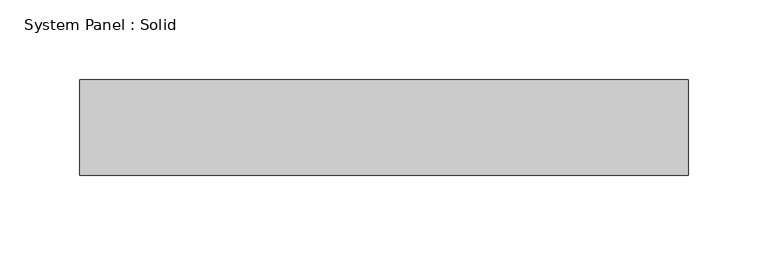
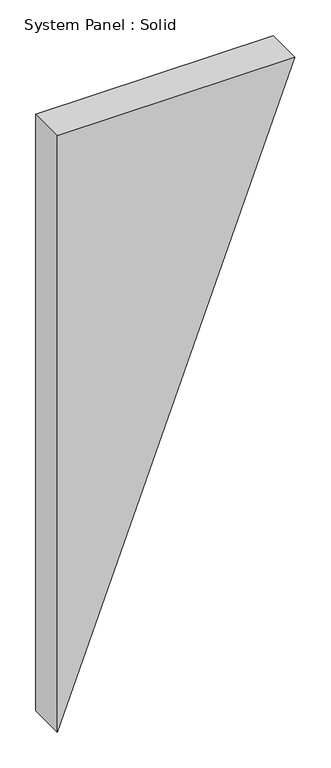
"""IFC4 building model written with IfcOpenShell, lengths in millimetres: plate geometry, System Panel : Solid."""

from ifc_helpers import new_model, si_unit, frame, origin, place, context, project, spatial, polyline, outline, extrude, source, transform, mapped, element, save


def system_panel_solid_8e6208b4(model_context):
    return source(origin(), model_context, "Body", "SweptSolid", [
        extrude(outline(polyline([(1015.1910892, -191.2193574), (0.0, -191.2193574), (1015.1910892, 191.2193574), (1015.1910892, -191.2193574)])), frame((0.0, -10.5, 0.0), z_axis=(0.0, 1.0, 0.0), x_axis=(0.0, 0.0, 1.0)), (0.0, 0.0, 1.0), 60.0),
    ])


if __name__ == "__main__":
    model = new_model("IFC4")
    model_context = context("Model", 3, world=origin())
    ifc_project = project(units=[si_unit("LENGTHUNIT", "METRE", prefix="MILLI")], contexts=[model_context])
    site = spatial("IfcSite", under=ifc_project)
    building = spatial("IfcBuilding", under=site)
    placement = place(None, origin())
    system_panel_solid_shape = system_panel_solid_8e6208b4(model_context)
    element("IfcPlate", 1, ObjectType="System Panel : Solid", at=placement, inside=building, context=model_context, shape_type="MappedRepresentation", body=[
        mapped(system_panel_solid_shape, transform((0.0, 0.0, 0.0), x_axis=(1.0, 0.0, 0.0), y_axis=(0.0, 1.0, 0.0), z_axis=(0.0, 0.0, 1.0))),
    ])
    save(model, "model.ifc")
